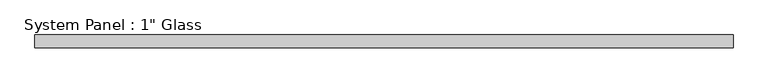
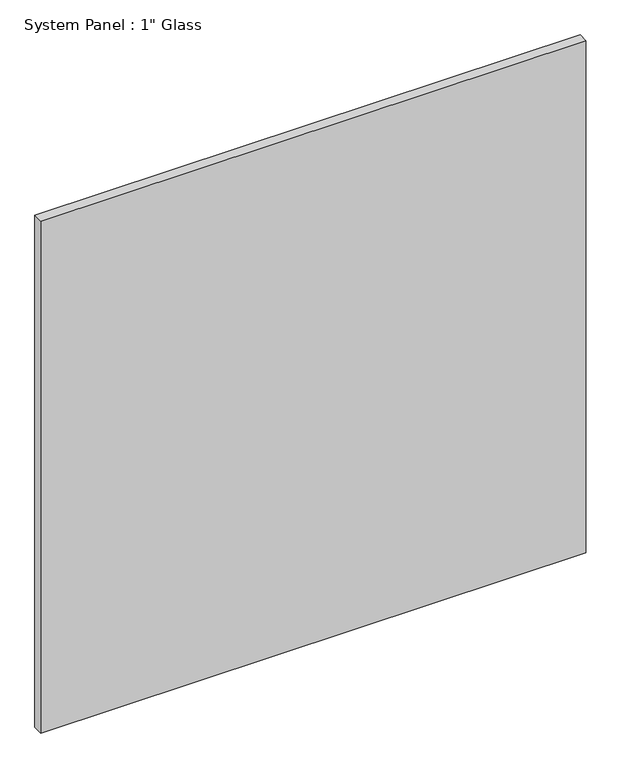
"""IFC4 building model written with IfcOpenShell, lengths in millimetres: plate geometry."""

from ifc_helpers import new_model, si_unit, origin, origin_with_axes, place, context, project, spatial, polyline, outline, extrude, source, transform, mapped, element, save


def plate_62e1c7ff(model_context):
    return source(origin(), model_context, "Body", "SweptSolid", [
        extrude(outline(polyline([(701.6758852, -12.7), (-701.6758852, -12.7), (-701.6758852, 12.7), (701.6758852, 12.7), (701.6758852, -12.7)])), origin_with_axes(), (0.0, 0.0, 1.0), 1393.1935408),
    ])


if __name__ == "__main__":
    model = new_model("IFC4")
    model_context = context("Model", 3, world=origin())
    ifc_project = project(units=[si_unit("LENGTHUNIT", "METRE", prefix="MILLI")], contexts=[model_context])
    site = spatial("IfcSite", under=ifc_project)
    building = spatial("IfcBuilding", under=site)
    placement = place(None, origin())
    plate_shape = plate_62e1c7ff(model_context)
    element("IfcPlate", 1, ObjectType="System Panel : 1\" Glass", at=placement, inside=building, context=model_context, shape_type="MappedRepresentation", body=[
        mapped(plate_shape, transform((0.0, 0.0, 0.0), x_axis=(1.0, 0.0, 0.0), y_axis=(0.0, 1.0, 0.0), z_axis=(0.0, 0.0, 1.0))),
    ])
    save(model, "model.ifc")
